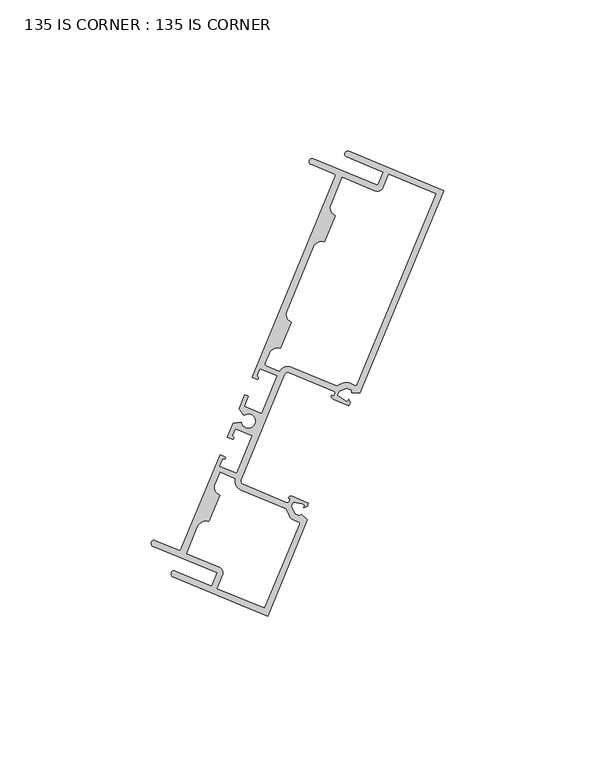
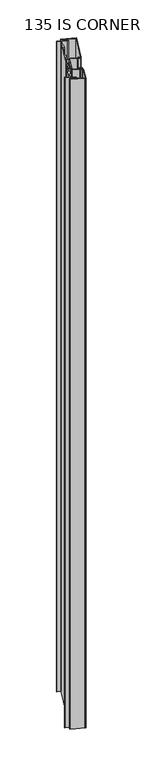
"""IFC4 building model written with IfcOpenShell, lengths in millimetres: plate geometry, 135 IS CORNER : 135 IS CORNER."""

from ifc_helpers import new_model, si_unit, frame, origin, place, context, project, spatial, polyline, circle_curve, source, transform, mapped, element, save
from ifc_brep_helpers import plane_surface, cylinder_surface, revolved_surface, extruded_surface, spline_curve, advanced_brep


def plate_135_is_corner_135_is_corner_719a3a0f(model_context):
    return source(origin(), model_context, "Body", "AdvancedBrep", [
        advanced_brep(
        [(-136.7278149, 89.2997684, 1710.2666667), (-137.504968, 87.4222549, 1710.2666667), (-125.4654123, 82.438761, 1710.2666667), (-127.291722, 78.0266041, 1710.2666667), (-148.531094, 86.818148, 1710.2666667), (-149.3082471, 84.9406344, 1710.2666667), (-141.5165658, 81.7154493, 1710.2666667), (-141.2414757, 81.0517826, 1710.2666667), (-168.7769553, 14.5291892, 1710.2666667), (-167.2397411, 13.8928952, 1710.2666667), (-166.9385943, 14.6204317, 1710.2666667), (-167.0471286, 15.3876214, 1710.2666667), (-166.2337771, 17.3525862, 1710.2666667), (-160.4838919, 14.972555, 1710.2666667), (-165.6519596, 2.4870899, 1710.2666667), (-171.4018449, 4.8671211, 1710.2666667), (-170.0321127, 8.1762387, 1710.2666667), (-171.2055586, 8.6619594, 1710.2666667), (-173.1232525, 4.0290286, 1710.2666667), (-171.5117607, 1.9299559, 1710.2666667), (-172.43463, -0.2995914, 1710.2666667), (-175.0582261, -0.6456479, 1710.2666667), (-176.97592, -5.2785788, 1710.2666667), (-175.4387058, -5.9148728, 1710.2666667), (-175.429143, -4.8623739, 1710.2666667), (-174.4327418, -2.4551818, 1710.2666667), (-168.6828565, -4.835213, 1710.2666667), (-173.8509243, -17.3206781, 1710.2666667), (-179.6008096, -14.9406469, 1710.2666667), (-178.6058882, -12.5370298, 1710.2666667), (-177.8687889, -11.7856777, 1710.2666667), (-179.4060031, -11.1493837, 1710.2666667), (-192.5724345, -42.9579875, 1710.2666667), (-200.8334942, -39.5385141, 1710.2666667), (-201.6106472, -41.4160277, 1710.2666667), (-180.3712751, -50.2075715, 1710.2666667), (-182.1975848, -54.6197284, 1710.2666667), (-194.2371405, -49.6362345, 1710.2666667), (-195.0142935, -51.513748, 1710.2666667), (-163.6832861, -64.4824895, 1710.2666667), (-150.5006362, -32.6347036, 1710.2666667), (-152.5561872, -30.793384, 1710.2666667), (-153.0771459, -31.3749545, 1710.2666667), (-154.7637979, -30.6768041, 1710.2666667), (-155.78019, -28.2218342, 1710.2666667), (-155.2164275, -26.8598478, 1710.2666667), (-152.1953325, -27.3979191, 1710.2666667), (-151.3035136, -27.7670668, 1710.2666667), (-151.6641256, -28.6382645, 1710.2666667), (-150.600727, -28.1974853, 1710.2666667), (-150.1628482, -27.1396197, 1710.2666667), (-155.5801842, -24.8972395, 1710.2666667), (-156.8413168, -25.4199796, 1710.2666667), (-156.1187307, -25.7190772, 1710.2666667), (-156.478164, -26.5874272, 1710.2666667), (-157.3077473, -26.9312899, 1710.2666667), (-171.7763362, -20.9423542, 1710.2666667), (-172.4640615, -19.2831876, 1710.2666667), (-158.1254906, 15.3571721, 1710.2666667), (-156.466324, 16.0448974, 1710.2666667), (-141.7227088, 9.942121, 1710.2666667), (-141.3788461, 9.1125377, 1710.2666667), (-141.7382794, 8.2441877, 1710.2666667), (-142.529622, 8.5717455, 1710.2666667), (-142.006882, 7.310613, 1710.2666667), (-136.7958157, 5.1536134, 1710.2666667), (-136.3579369, 6.2114789, 1710.2666667), (-136.7987161, 7.2748775, 1710.2666667), (-137.1593281, 6.4036798, 1710.2666667), (-138.0511471, 6.7728275, 1710.2666667), (-140.5687171, 8.5273577, 1710.2666667), (-140.0049546, 9.8893441, 1710.2666667), (-137.5508293, 10.9077741, 1710.2666667), (-135.8641773, 10.2096238, 1710.2666667), (-135.9066546, 9.429997, 1710.2666667), (-133.1510771, 9.2798619, 1710.2666667), (-105.3968075, 76.3310269, 1710.2666667), (-138.9349847, 80.6468638, 1710.2666667), (-128.068875, 76.1490906, 1710.2666667), (-125.4142084, 77.2494511, 1710.2666667), (-123.5878987, 81.6616079, 1710.2666667), (-108.0514741, 75.2306664, 1710.2666667), (-134.1254446, 12.2389133, 1710.2666667), (-134.7891112, 11.9638232, 1710.2666667), (-136.530505, 12.6846326, 1710.2666667), (-138.5727611, 12.6837086, 1710.2666667), (-140.8000582, 11.7594092, 1710.2666667), (-155.6891709, 17.922411, 1710.2666667), (-159.7656523, 16.5996921, 1710.2666667), (-164.1455845, 18.4126631, 1710.2666667), (-164.4206746, 19.0763298, 1710.2666667), (-163.0267292, 22.4439437, 1710.2666667), (-159.3765626, 23.9569394, 1710.2666667), (-155.7336577, 32.7577842, 1710.2666667), (-157.2466534, 36.4079507, 1710.2666667), (-148.4502523, 57.6590573, 1710.2666667), (-144.8000857, 59.172053, 1710.2666667), (-141.1571808, 67.9728977, 1710.2666667), (-142.6701765, 71.6230643, 1710.2666667), (-155.2977796, -32.6549728, 1710.2666667), (-153.5563859, -33.3757822, 1710.2666667), (-153.2812958, -34.0394489, 1710.2666667), (-164.7836466, -61.8278229, 1710.2666667), (-180.3200713, -55.3968814, 1710.2666667), (-178.4937616, -50.9847246, 1710.2666667), (-179.5941221, -48.330058, 1710.2666667), (-190.4602318, -43.8322847, 1710.2666667), (-186.7201827, -34.7967507, 1710.2666667), (-183.0700162, -33.2837551, 1710.2666667), (-179.4271112, -24.4829103, 1710.2666667), (-180.9401069, -20.8327437, 1710.2666667), (-179.3421103, -16.9721651, 1710.2666667), (-174.4964721, -18.9779043, 1710.2666667), (-172.5534892, -22.8198678, 1710.2666667), (-157.6643765, -28.9828695, 1710.2666667), (-156.7419268, -31.2109334, 1710.2666667), (-136.7278149, 89.2997684, 0.0), (-105.3968075, 76.3310269, 0.0), (-133.1510771, 9.2798619, 0.0), (-135.9066546, 9.429997, 0.0), (-135.8641773, 10.2096238, 0.0), (-137.5508293, 10.9077741, 0.0), (-140.0049546, 9.8893441, 0.0), (-140.5687171, 8.5273577, 0.0), (-138.0511471, 6.7728275, 0.0), (-137.1593281, 6.4036798, 0.0), (-136.7987161, 7.2748775, 0.0), (-136.3579369, 6.2114789, 0.0), (-136.7958157, 5.1536134, 0.0), (-142.006882, 7.310613, 0.0), (-142.529622, 8.5717455, 0.0), (-141.7382794, 8.2441877, 0.0), (-141.3788461, 9.1125377, 0.0), (-141.7227088, 9.942121, 0.0), (-156.466324, 16.0448974, 0.0), (-158.1254906, 15.3571721, 0.0), (-172.4640615, -19.2831876, 0.0), (-171.7763362, -20.9423542, 0.0), (-157.3077473, -26.9312899, 0.0), (-156.478164, -26.5874272, 0.0), (-156.1187307, -25.7190772, 0.0), (-156.8413168, -25.4199796, 0.0), (-155.5801842, -24.8972395, 0.0), (-150.1628482, -27.1396197, 0.0), (-150.600727, -28.1974853, 0.0), (-151.6641256, -28.6382645, 0.0), (-151.3035136, -27.7670668, 0.0), (-152.1953325, -27.3979191, 0.0), (-155.2164275, -26.8598478, 0.0), (-155.78019, -28.2218342, 0.0), (-154.7637979, -30.6768041, 0.0), (-153.0771459, -31.3749545, 0.0), (-152.5561872, -30.793384, 0.0), (-150.5006362, -32.6347036, 0.0), (-163.6832861, -64.4824895, 0.0), (-195.0142935, -51.513748, 0.0), (-194.2371405, -49.6362345, 0.0), (-182.1975848, -54.6197284, 0.0), (-180.3712751, -50.2075715, 0.0), (-201.6106472, -41.4160277, 0.0), (-200.8334942, -39.5385141, 0.0), (-192.5724345, -42.9579875, 0.0), (-179.4060031, -11.1493837, 0.0), (-177.8687889, -11.7856777, 0.0), (-178.6058882, -12.5370298, 0.0), (-179.6008096, -14.9406469, 0.0), (-173.8509243, -17.3206781, 0.0), (-168.6828565, -4.835213, 0.0), (-174.4327418, -2.4551818, 0.0), (-175.429143, -4.8623739, 0.0), (-175.4387058, -5.9148728, 0.0), (-176.97592, -5.2785788, 0.0), (-175.0582261, -0.6456479, 0.0), (-172.43463, -0.2995914, 0.0), (-171.5117607, 1.9299559, 0.0), (-173.1232525, 4.0290286, 0.0), (-171.2055586, 8.6619594, 0.0), (-170.0321127, 8.1762387, 0.0), (-171.4018449, 4.8671211, 0.0), (-165.6519596, 2.4870899, 0.0), (-160.4838919, 14.972555, 0.0), (-166.2337771, 17.3525862, 0.0), (-167.0471286, 15.3876214, 0.0), (-166.9385943, 14.6204317, 0.0), (-167.2397411, 13.8928952, 0.0), (-168.7769553, 14.5291892, 0.0), (-141.2414757, 81.0517826, 0.0), (-141.5165658, 81.7154493, 0.0), (-149.3082471, 84.9406344, 0.0), (-148.531094, 86.818148, 0.0), (-127.291722, 78.0266041, 0.0), (-125.4654123, 82.438761, 0.0), (-137.504968, 87.4222549, 0.0), (-138.9349847, 80.6468638, 0.0), (-142.6701765, 71.6230643, 0.0), (-141.1571808, 67.9728977, 0.0), (-144.8000857, 59.172053, 0.0), (-148.4502523, 57.6590573, 0.0), (-157.2466534, 36.4079507, 0.0), (-155.7336577, 32.7577842, 0.0), (-159.3765626, 23.9569394, 0.0), (-163.0267292, 22.4439437, 0.0), (-164.4206746, 19.0763298, 0.0), (-164.1455845, 18.4126631, 0.0), (-159.7656523, 16.5996921, 0.0), (-155.6891709, 17.922411, 0.0), (-140.8000582, 11.7594092, 0.0), (-138.5727611, 12.6837086, 0.0), (-136.530505, 12.6846326, 0.0), (-134.7891112, 11.9638232, 0.0), (-134.1254446, 12.2389133, 0.0), (-108.0514741, 75.2306664, 0.0), (-123.5878987, 81.6616079, 0.0), (-125.4142084, 77.2494511, 0.0), (-128.068875, 76.1490906, 0.0), (-155.2977796, -32.6549728, 0.0), (-156.7419268, -31.2109334, 0.0), (-157.6643765, -28.9828695, 0.0), (-172.5534892, -22.8198678, 0.0), (-174.4964721, -18.9779043, 0.0), (-179.3421103, -16.9721651, 0.0), (-180.9401069, -20.8327437, 0.0), (-179.4271112, -24.4829103, 0.0), (-183.0700162, -33.2837551, 0.0), (-186.7201827, -34.7967507, 0.0), (-190.4602318, -43.8322847, 0.0), (-179.5941221, -48.330058, 0.0), (-178.4937616, -50.9847246, 0.0), (-180.3200713, -55.3968814, 0.0), (-164.7836466, -61.8278229, 0.0), (-153.2812958, -34.0394489, 0.0), (-153.5563859, -33.3757822, 0.0)],
        [
            (0, 1, circle_curve(frame((-137.1163914, 88.3610116, 1710.2666667), z_axis=(0.0, 0.0, 1.0), x_axis=(0.0, 1.0, 0.0)), 1.016)),
            (1, 2),
            (2, 3),
            (3, 4),
            (4, 5, circle_curve(frame((-148.9196705, 85.8793912, 1710.2666667), z_axis=(0.0, 0.0, 1.0), x_axis=(0.0, 1.0, 0.0)), 1.016)),
            (5, 6),
            (6, 7, circle_curve(frame((-141.7108541, 81.2460709, 1710.2666667), z_axis=(0.0, 0.0, -1.0), x_axis=(0.0, 1.0, 0.0)), 0.508)),
            (7, 8),
            (8, 9),
            (9, 10, circle_curve(frame((-167.0891677, 14.2566634, 1710.2666667), z_axis=(0.0, 0.0, 1.0), x_axis=(0.0, 1.0, 0.0)), 0.3937)),
            (10, 11, circle_curve(frame((-166.3426373, 15.0960137, 1710.2666667), z_axis=(0.0, 0.0, -1.0), x_axis=(0.0, 1.0, 0.0)), 0.7624585)),
            (11, 12),
            (12, 13),
            (13, 14),
            (14, 15),
            (15, 16),
            (16, 17),
            (17, 18),
            (18, 19),
            (19, 20, circle_curve(frame((-170.0423507, 0.015954, 1710.2666667), z_axis=(0.0, 0.0, -1.0), x_axis=(0.0, 1.0, 0.0)), 2.413)),
            (20, 21),
            (21, 22),
            (22, 23),
            (23, 24, spline_curve(3, [(-175.4387058, -5.9148728, 1710.2666667), (-175.200981847, -5.967513867, 1710.2666667), (-175.15118132, -5.954822519, 1710.2666667), (-175.059396441, -5.911154668, 1710.2666667), (-175.035761325, -5.87403484, 1710.2666667), (-174.95031619, -5.708114553, 1710.2666667), (-174.876037367, -5.545310699, 1710.2666667), (-174.991847447, -5.26607834, 1710.2666667), (-175.236317651, -5.164885589, 1710.2666667), (-175.429143, -4.8623739, 1710.2666667)], [4, 2, 2, 2, 4], [0.0, 0.0005581775979920252, 0.0014141886036385456, 0.002659292844354508, 0.004147214338502557])),
            (24, 25),
            (25, 26),
            (26, 27),
            (27, 28),
            (28, 29),
            (29, 30, spline_curve(3, [(-178.6058882, -12.5370298, 1710.2666667), (-178.255670044, -12.459298334, 1710.2666667), (-178.011199904, -12.56049113, 1710.2666667), (-177.731919339, -12.444797351, 1710.2666667), (-177.669404687, -12.277123916, 1710.2666667), (-177.612587209, -12.099353877, 1710.2666667), (-177.603073196, -12.056388945, 1710.2666667), (-177.637143972, -11.960626074, 1710.2666667), (-177.663405761, -11.916450503, 1710.2666667), (-177.8687889, -11.7856777, 1710.2666667)], [4, 2, 2, 2, 4], [0.0, 0.0014879214941480494, 0.0027330257348640117, 0.003589036740510532, 0.004147214338502557])),
            (30, 31),
            (31, 32),
            (32, 33),
            (33, 34, circle_curve(frame((-201.2220707, -40.4772709, 1710.2666667), z_axis=(0.0, 0.0, 1.0), x_axis=(0.0, 1.0, 0.0)), 1.016)),
            (34, 35),
            (35, 36),
            (36, 37),
            (37, 38, circle_curve(frame((-194.625717, -50.5749912, 1710.2666667), z_axis=(0.0, 0.0, 1.0), x_axis=(0.0, 1.0, 0.0)), 1.016)),
            (38, 39),
            (39, 40),
            (40, 41),
            (41, 42),
            (42, 43),
            (43, 44),
            (44, 45),
            (45, 46),
            (46, 47),
            (47, 48),
            (48, 49),
            (49, 50),
            (50, 51),
            (51, 52, circle_curve(frame((-155.9493805, -25.7891758, 1710.2666667), z_axis=(0.0, 0.0, 1.0), x_axis=(0.0, 1.0, 0.0)), 0.965327)),
            (52, 53),
            (53, 54),
            (54, 55, circle_curve(frame((-157.064887, -26.3445669, 1710.2666667), z_axis=(0.0, 0.0, -1.0), x_axis=(0.0, 1.0, 0.0)), 0.635)),
            (55, 56),
            (56, 57, circle_curve(frame((-171.2906155, -19.7689083, 1710.2666667), z_axis=(0.0, 0.0, -1.0), x_axis=(0.0, 1.0, 0.0)), 1.27)),
            (57, 58),
            (58, 59, circle_curve(frame((-156.9520446, 14.8714515, 1710.2666667), z_axis=(0.0, 0.0, -1.0), x_axis=(0.0, 1.0, 0.0)), 1.27)),
            (59, 60),
            (60, 61, circle_curve(frame((-141.9655691, 9.355398, 1710.2666667), z_axis=(0.0, 0.0, -1.0), x_axis=(0.0, 1.0, 0.0)), 0.635)),
            (61, 62),
            (62, 63),
            (63, 64, circle_curve(frame((-141.6376857, 8.2025493, 1710.2666667), z_axis=(0.0, 0.0, 1.0), x_axis=(0.0, 1.0, 0.0)), 0.965327)),
            (64, 65),
            (65, 66),
            (66, 67),
            (67, 68),
            (68, 69),
            (69, 70),
            (70, 71),
            (71, 72),
            (72, 73),
            (73, 74),
            (74, 75),
            (75, 76),
            (76, 0),
            (77, 78),
            (78, 79, circle_curve(frame((-127.291722, 78.0266041, 1710.2666667), z_axis=(0.0, 0.0, 1.0), x_axis=(0.0, 1.0, 0.0)), 2.032)),
            (79, 80),
            (80, 81),
            (81, 82),
            (82, 83, circle_curve(frame((-134.594823, 12.4332016, 1710.2666667), z_axis=(0.0, 0.0, -1.0), x_axis=(0.0, 1.0, 0.0)), 0.508)),
            (83, 84),
            (84, 85, circle_curve(frame((-137.5505184, 10.2203961, 1710.2666667), z_axis=(0.0, 0.0, 1.0), x_axis=(0.0, 1.0, 0.0)), 2.667)),
            (85, 86),
            (86, 87),
            (87, 88, circle_curve(frame((-156.9520446, 14.8714515, 1710.2666667), z_axis=(0.0, 0.0, 1.0), x_axis=(0.0, 1.0, 0.0)), 3.302)),
            (88, 89),
            (89, 90, circle_curve(frame((-163.9512962, 18.8820415, 1710.2666667), z_axis=(0.0, 0.0, -1.0), x_axis=(0.0, 1.0, 0.0)), 0.508)),
            (90, 91),
            (91, 92, circle_curve(frame((-160.445148, 21.3753582, 1710.2666667), z_axis=(0.0, 0.0, -1.0), x_axis=(0.0, 1.0, 0.0)), 2.794)),
            (92, 93),
            (93, 94, circle_curve(frame((-154.6650723, 35.3393653, 1710.2666667), z_axis=(0.0, 0.0, -1.0), x_axis=(0.0, 1.0, 0.0)), 2.794)),
            (94, 95),
            (95, 96, circle_curve(frame((-145.8686712, 56.5904718, 1710.2666667), z_axis=(0.0, 0.0, -1.0), x_axis=(0.0, 1.0, 0.0)), 2.794)),
            (96, 97),
            (97, 98, circle_curve(frame((-140.0885954, 70.5544789, 1710.2666667), z_axis=(0.0, 0.0, -1.0), x_axis=(0.0, 1.0, 0.0)), 2.794)),
            (98, 77),
            (99, 100),
            (100, 101, circle_curve(frame((-153.7506742, -33.8451606, 1710.2666667), z_axis=(0.0, 0.0, -1.0), x_axis=(0.0, 1.0, 0.0)), 0.508)),
            (101, 102),
            (102, 103),
            (103, 104),
            (104, 105, circle_curve(frame((-180.3712751, -50.2075715, 1710.2666667), z_axis=(0.0, 0.0, 1.0), x_axis=(0.0, 1.0, 0.0)), 2.032)),
            (105, 106),
            (106, 107),
            (107, 108, circle_curve(frame((-184.1386016, -35.8653362, 1710.2666667), z_axis=(0.0, 0.0, -1.0), x_axis=(0.0, 1.0, 0.0)), 2.794)),
            (108, 109),
            (109, 110, circle_curve(frame((-178.3585258, -21.9013291, 1710.2666667), z_axis=(0.0, 0.0, -1.0), x_axis=(0.0, 1.0, 0.0)), 2.794)),
            (110, 111),
            (111, 112),
            (112, 113, circle_curve(frame((-171.2906155, -19.7689083, 1710.2666667), z_axis=(0.0, 0.0, 1.0), x_axis=(0.0, 1.0, 0.0)), 3.302)),
            (113, 114),
            (114, 115),
            (115, 99, circle_curve(frame((-154.2777663, -30.1907363, 1710.2666667), z_axis=(0.0, 0.0, 1.0), x_axis=(0.0, 1.0, 0.0)), 2.667)),
            (116, 117),
            (117, 118),
            (118, 119),
            (119, 120),
            (120, 121),
            (121, 122),
            (122, 123),
            (123, 124),
            (124, 125),
            (125, 126),
            (126, 127),
            (127, 128),
            (128, 129),
            (129, 130, circle_curve(frame((-141.6376857, 8.2025493, 0.0), z_axis=(0.0, 0.0, -1.0), x_axis=(0.0, 1.0, 0.0)), 0.965327)),
            (130, 131),
            (131, 132),
            (132, 133, circle_curve(frame((-141.9655691, 9.355398, 0.0), z_axis=(0.0, 0.0, 1.0), x_axis=(0.0, 1.0, 0.0)), 0.635)),
            (133, 134),
            (134, 135, circle_curve(frame((-156.9520446, 14.8714515, 0.0), z_axis=(0.0, 0.0, 1.0), x_axis=(0.0, 1.0, 0.0)), 1.27)),
            (135, 136),
            (136, 137, circle_curve(frame((-171.2906155, -19.7689083, 0.0), z_axis=(0.0, 0.0, 1.0), x_axis=(0.0, 1.0, 0.0)), 1.27)),
            (137, 138),
            (138, 139, circle_curve(frame((-157.064887, -26.3445669, 0.0), z_axis=(0.0, 0.0, 1.0), x_axis=(0.0, 1.0, 0.0)), 0.635)),
            (139, 140),
            (140, 141),
            (141, 142, circle_curve(frame((-155.9493805, -25.7891758, 0.0), z_axis=(0.0, 0.0, -1.0), x_axis=(0.0, 1.0, 0.0)), 0.965327)),
            (142, 143),
            (143, 144),
            (144, 145),
            (145, 146),
            (146, 147),
            (147, 148),
            (148, 149),
            (149, 150),
            (150, 151),
            (151, 152),
            (152, 153),
            (153, 154),
            (154, 155),
            (155, 156, circle_curve(frame((-194.625717, -50.5749912, 0.0), z_axis=(0.0, 0.0, -1.0), x_axis=(0.0, 1.0, 0.0)), 1.016)),
            (156, 157),
            (157, 158),
            (158, 159),
            (159, 160, circle_curve(frame((-201.2220707, -40.4772709, 0.0), z_axis=(0.0, 0.0, -1.0), x_axis=(0.0, 1.0, 0.0)), 1.016)),
            (160, 161),
            (161, 162),
            (162, 163),
            (163, 164, spline_curve(3, [(-177.8687889, -11.7856777, 0.0), (-177.663405761, -11.916450503, 0.0), (-177.637143972, -11.960626074, 0.0), (-177.603073196, -12.056388945, 0.0), (-177.612587209, -12.099353877, 0.0), (-177.669404687, -12.277123916, 0.0), (-177.731919339, -12.444797351, 0.0), (-178.011199904, -12.56049113, 0.0), (-178.255670044, -12.459298334, 0.0), (-178.6058882, -12.5370298, 0.0)], [4, 2, 2, 2, 4], [0.0, 0.0005581775979920252, 0.0014141886036385456, 0.002659292844354508, 0.004147214338502557])),
            (164, 165),
            (165, 166),
            (166, 167),
            (167, 168),
            (168, 169),
            (169, 170, spline_curve(3, [(-175.429143, -4.8623739, 0.0), (-175.236317651, -5.164885589, 0.0), (-174.991847447, -5.26607834, 0.0), (-174.876037367, -5.545310699, 0.0), (-174.95031619, -5.708114553, 0.0), (-175.035761325, -5.87403484, 0.0), (-175.059396441, -5.911154668, 0.0), (-175.15118132, -5.954822519, 0.0), (-175.200981847, -5.967513867, 0.0), (-175.4387058, -5.9148728, 0.0)], [4, 2, 2, 2, 4], [0.0, 0.0014879214941480494, 0.0027330257348640117, 0.003589036740510532, 0.004147214338502557])),
            (170, 171),
            (171, 172),
            (172, 173),
            (173, 174, circle_curve(frame((-170.0423507, 0.015954, 0.0), z_axis=(0.0, 0.0, 1.0), x_axis=(0.0, 1.0, 0.0)), 2.413)),
            (174, 175),
            (175, 176),
            (176, 177),
            (177, 178),
            (178, 179),
            (179, 180),
            (180, 181),
            (181, 182),
            (182, 183, circle_curve(frame((-166.3426373, 15.0960137, 0.0), z_axis=(0.0, 0.0, 1.0), x_axis=(0.0, 1.0, 0.0)), 0.7624585)),
            (183, 184, circle_curve(frame((-167.0891677, 14.2566634, 0.0), z_axis=(0.0, 0.0, -1.0), x_axis=(0.0, 1.0, 0.0)), 0.3937)),
            (184, 185),
            (185, 186),
            (186, 187, circle_curve(frame((-141.7108541, 81.2460709, 0.0), z_axis=(0.0, 0.0, 1.0), x_axis=(0.0, 1.0, 0.0)), 0.508)),
            (187, 188),
            (188, 189, circle_curve(frame((-148.9196705, 85.8793912, 0.0), z_axis=(0.0, 0.0, -1.0), x_axis=(0.0, 1.0, 0.0)), 1.016)),
            (189, 190),
            (190, 191),
            (191, 192),
            (192, 116, circle_curve(frame((-137.1163914, 88.3610116, 0.0), z_axis=(0.0, 0.0, -1.0), x_axis=(0.0, 1.0, 0.0)), 1.016)),
            (193, 194),
            (194, 195, circle_curve(frame((-140.0885954, 70.5544789, 0.0), z_axis=(0.0, 0.0, 1.0), x_axis=(0.0, 1.0, 0.0)), 2.794)),
            (195, 196),
            (196, 197, circle_curve(frame((-145.8686712, 56.5904718, 0.0), z_axis=(0.0, 0.0, 1.0), x_axis=(0.0, 1.0, 0.0)), 2.794)),
            (197, 198),
            (198, 199, circle_curve(frame((-154.6650723, 35.3393653, 0.0), z_axis=(0.0, 0.0, 1.0), x_axis=(0.0, 1.0, 0.0)), 2.794)),
            (199, 200),
            (200, 201, circle_curve(frame((-160.445148, 21.3753582, 0.0), z_axis=(0.0, 0.0, 1.0), x_axis=(0.0, 1.0, 0.0)), 2.794)),
            (201, 202),
            (202, 203, circle_curve(frame((-163.9512962, 18.8820415, 0.0), z_axis=(0.0, 0.0, 1.0), x_axis=(0.0, 1.0, 0.0)), 0.508)),
            (203, 204),
            (204, 205, circle_curve(frame((-156.9520446, 14.8714515, 0.0), z_axis=(0.0, 0.0, -1.0), x_axis=(0.0, 1.0, 0.0)), 3.302)),
            (205, 206),
            (206, 207),
            (207, 208, circle_curve(frame((-137.5505184, 10.2203961, 0.0), z_axis=(0.0, 0.0, -1.0), x_axis=(0.0, 1.0, 0.0)), 2.667)),
            (208, 209),
            (209, 210, circle_curve(frame((-134.594823, 12.4332016, 0.0), z_axis=(0.0, 0.0, 1.0), x_axis=(0.0, 1.0, 0.0)), 0.508)),
            (210, 211),
            (211, 212),
            (212, 213),
            (213, 214, circle_curve(frame((-127.291722, 78.0266041, 0.0), z_axis=(0.0, 0.0, -1.0), x_axis=(0.0, 1.0, 0.0)), 2.032)),
            (214, 193),
            (215, 216, circle_curve(frame((-154.2777663, -30.1907363, 0.0), z_axis=(0.0, 0.0, -1.0), x_axis=(0.0, 1.0, 0.0)), 2.667)),
            (216, 217),
            (217, 218),
            (218, 219, circle_curve(frame((-171.2906155, -19.7689083, 0.0), z_axis=(0.0, 0.0, -1.0), x_axis=(0.0, 1.0, 0.0)), 3.302)),
            (219, 220),
            (220, 221),
            (221, 222, circle_curve(frame((-178.3585258, -21.9013291, 0.0), z_axis=(0.0, 0.0, 1.0), x_axis=(0.0, 1.0, 0.0)), 2.794)),
            (222, 223),
            (223, 224, circle_curve(frame((-184.1386016, -35.8653362, 0.0), z_axis=(0.0, 0.0, 1.0), x_axis=(0.0, 1.0, 0.0)), 2.794)),
            (224, 225),
            (225, 226),
            (226, 227, circle_curve(frame((-180.3712751, -50.2075715, 0.0), z_axis=(0.0, 0.0, -1.0), x_axis=(0.0, 1.0, 0.0)), 2.032)),
            (227, 228),
            (228, 229),
            (229, 230),
            (230, 231, circle_curve(frame((-153.7506742, -33.8451606, 0.0), z_axis=(0.0, 0.0, 1.0), x_axis=(0.0, 1.0, 0.0)), 0.508)),
            (231, 215),
            (76, 117),
            (116, 0),
            (75, 118),
            (74, 119),
            (73, 120),
            (72, 121),
            (71, 122),
            (70, 123),
            (69, 124),
            (68, 125),
            (67, 126),
            (66, 127),
            (65, 128),
            (64, 129),
            (63, 130),
            (62, 131),
            (61, 132),
            (60, 133),
            (59, 134),
            (58, 135),
            (57, 136),
            (56, 137),
            (55, 138),
            (54, 139),
            (53, 140),
            (52, 141),
            (51, 142),
            (50, 143),
            (49, 144),
            (48, 145),
            (47, 146),
            (46, 147),
            (45, 148),
            (44, 149),
            (43, 150),
            (42, 151),
            (41, 152),
            (40, 153),
            (39, 154),
            (38, 155),
            (37, 156),
            (36, 157),
            (35, 158),
            (34, 159),
            (33, 160),
            (32, 161),
            (31, 162),
            (30, 163),
            (29, 164),
            (28, 165),
            (27, 166),
            (26, 167),
            (25, 168),
            (24, 169),
            (23, 170),
            (22, 171),
            (21, 172),
            (20, 173),
            (19, 174),
            (18, 175),
            (17, 176),
            (16, 177),
            (15, 178),
            (14, 179),
            (13, 180),
            (12, 181),
            (11, 182),
            (10, 183),
            (9, 184),
            (8, 185),
            (7, 186),
            (6, 187),
            (5, 188),
            (4, 189),
            (3, 190),
            (2, 191),
            (1, 192),
            (98, 194),
            (193, 77),
            (97, 195),
            (96, 196),
            (95, 197),
            (94, 198),
            (93, 199),
            (92, 200),
            (91, 201),
            (90, 202),
            (89, 203),
            (88, 204),
            (87, 205),
            (86, 206),
            (85, 207),
            (84, 208),
            (83, 209),
            (82, 210),
            (81, 211),
            (80, 212),
            (79, 213),
            (78, 214),
            (115, 216),
            (215, 99),
            (114, 217),
            (113, 218),
            (112, 219),
            (111, 220),
            (110, 221),
            (109, 222),
            (108, 223),
            (107, 224),
            (106, 225),
            (105, 226),
            (104, 227),
            (103, 228),
            (102, 229),
            (101, 230),
            (100, 231),
        ],
        [
            plane_surface(frame((-203.2, 0.0, 1710.2666667), z_axis=(0.0, 0.0, 1.0), x_axis=(0.0, 1.0, 0.0))),
            plane_surface(frame((-203.2, 0.0, 0.0), z_axis=(0.0, 0.0, -1.0), x_axis=(0.0, 1.0, 0.0))),
            plane_surface(frame((-136.7278149, 89.2997684, 1710.2666667), z_axis=(0.3824572086876439, 0.9239732049809973, 0.0), x_axis=(0.0, 0.0, -1.0))),
            plane_surface(frame((-105.3968075, 76.3310269, 1710.2666667), z_axis=(0.9239732049809974, -0.3824572086876436, 0.0), x_axis=(0.0, 0.0, -1.0))),
            plane_surface(frame((-133.1510771, 9.2798619, 1710.2666667), z_axis=(-0.054403376948134394, -0.998519039666565, 0.0), x_axis=(0.0, 0.0, -1.0))),
            plane_surface(frame((-135.9066546, 9.429997, 1710.2666667), z_axis=(-0.9985190396665645, 0.05440337694814271, 0.0), x_axis=(0.0, 0.0, -1.0))),
            plane_surface(frame((-135.8641773, 10.2096238, 1710.2666667), z_axis=(-0.3824572086876704, -0.9239732049809863, 0.0), x_axis=(0.0, 0.0, -1.0))),
            plane_surface(frame((-137.5508293, 10.9077741, 1710.2666667), z_axis=(0.3832931067279763, -0.9236267613786515, 0.0), x_axis=(0.0, 0.0, -1.0))),
            plane_surface(frame((-140.0049546, 9.8893441, 1710.2666667), z_axis=(0.9239732049809949, -0.38245720868764965, 0.0), x_axis=(0.0, 0.0, -1.0))),
            plane_surface(frame((-140.5687171, 8.5273577, 1710.2666667), z_axis=(0.5717619870903833, 0.8204195451831071, 0.0), x_axis=(0.0, 0.0, -1.0))),
            plane_surface(frame((-138.0511471, 6.7728275, 1710.2666667), z_axis=(0.3824572086876302, 0.9239732049810029, 0.0), x_axis=(0.0, 0.0, -1.0))),
            plane_surface(frame((-137.1593281, 6.4036798, 1710.2666667), z_axis=(-0.9239732049809855, 0.38245720868767236, 0.0), x_axis=(0.0, 0.0, -1.0))),
            plane_surface(frame((-136.7987161, 7.2748775, 1710.2666667), z_axis=(0.9237858046534559, 0.38290963309998743, 0.0), x_axis=(0.0, 0.0, -1.0))),
            plane_surface(frame((-136.3579369, 6.2114789, 1710.2666667), z_axis=(0.9239732049809827, -0.38245720868767924, 0.0), x_axis=(0.0, 0.0, -1.0))),
            plane_surface(frame((-136.7958157, 5.1536134, 1710.2666667), z_axis=(-0.382457208687645, -0.9239732049809969, 0.0), x_axis=(0.0, 0.0, -1.0))),
            cylinder_surface(frame((-141.6376857, 8.2025493, 1710.2666667), z_axis=(0.0, 0.0, 1.0), x_axis=(0.0, 1.0, 0.0)), 0.965327),
            plane_surface(frame((-142.529622, 8.5717455, 1710.2666667), z_axis=(0.38245720868765026, 0.9239732049809948, 0.0), x_axis=(0.0, 0.0, -1.0))),
            plane_surface(frame((-141.7382794, 8.2441877, 1710.2666667), z_axis=(-0.9239732049810025, 0.3824572086876315, 0.0), x_axis=(0.0, 0.0, -1.0))),
            revolved_surface(polyline([(-141.9655691, 9.990397999999999, 0.0), (-141.9655691, 9.990397999999999, 1710.2666667)]), (-141.9655691, 9.355398, 1710.2666667), (0.0, 0.0, -1.0)),
            plane_surface(frame((-141.7227088, 9.942121, 1710.2666667), z_axis=(-0.3824572086876417, -0.9239732049809982, 0.0), x_axis=(0.0, 0.0, -1.0))),
            revolved_surface(polyline([(-156.9520446, 16.1414515, 0.0), (-156.9520446, 16.1414515, 1710.2666667)]), (-156.9520446, 14.8714515, 1710.2666667), (0.0, 0.0, -1.0)),
            plane_surface(frame((-158.1254906, 15.3571721, 1710.2666667), z_axis=(0.923973204980997, -0.38245720868764477, 0.0), x_axis=(0.0, 0.0, -1.0))),
            revolved_surface(polyline([(-171.2906155, -18.4989083, 0.0), (-171.2906155, -18.4989083, 1710.2666667)]), (-171.2906155, -19.7689083, 1710.2666667), (0.0, 0.0, -1.0)),
            plane_surface(frame((-171.7763362, -20.9423542, 1710.2666667), z_axis=(0.38245720868764765, 0.9239732049809958, 0.0), x_axis=(0.0, 0.0, -1.0))),
            revolved_surface(polyline([(-157.064887, -25.7095669, 0.0), (-157.064887, -25.7095669, 1710.2666667)]), (-157.064887, -26.3445669, 1710.2666667), (0.0, 0.0, -1.0)),
            plane_surface(frame((-156.478164, -26.5874272, 1710.2666667), z_axis=(-0.9239732049810087, 0.3824572086876167, 0.0), x_axis=(0.0, 0.0, -1.0))),
            plane_surface(frame((-156.1187307, -25.7190772, 1710.2666667), z_axis=(-0.38245720868764566, -0.9239732049809966, 0.0), x_axis=(0.0, 0.0, -1.0))),
            cylinder_surface(frame((-155.9493805, -25.7891758, 1710.2666667), z_axis=(0.0, 0.0, 1.0), x_axis=(0.0, 1.0, 0.0)), 0.965327),
            plane_surface(frame((-155.5801842, -24.8972395, 1710.2666667), z_axis=(0.3824572086876424, 0.9239732049809979, 0.0), x_axis=(0.0, 0.0, -1.0))),
            plane_surface(frame((-150.1628482, -27.1396197, 1710.2666667), z_axis=(0.9239732049809944, -0.3824572086876508, 0.0), x_axis=(0.0, 0.0, -1.0))),
            plane_surface(frame((-150.600727, -28.1974853, 1710.2666667), z_axis=(0.38290963309999265, -0.9237858046534538, 0.0), x_axis=(0.0, 0.0, -1.0))),
            plane_surface(frame((-151.6641256, -28.6382645, 1710.2666667), z_axis=(-0.9239732049809495, 0.3824572086877596, 0.0), x_axis=(0.0, 0.0, -1.0))),
            plane_surface(frame((-151.3035136, -27.7670668, 1710.2666667), z_axis=(-0.38245720868761535, -0.9239732049810091, 0.0), x_axis=(0.0, 0.0, -1.0))),
            plane_surface(frame((-152.1953325, -27.3979191, 1710.2666667), z_axis=(-0.17534535284308103, -0.9845069868905632, 0.0), x_axis=(0.0, 0.0, -1.0))),
            plane_surface(frame((-155.2164275, -26.8598478, 1710.2666667), z_axis=(0.9239732049810112, -0.38245720868761035, 0.0), x_axis=(0.0, 0.0, -1.0))),
            plane_surface(frame((-155.78019, -28.2218342, 1710.2666667), z_axis=(0.9239446887167215, 0.38252609347881167, 0.0), x_axis=(0.0, 0.0, -1.0))),
            plane_surface(frame((-154.7637979, -30.6768041, 1710.2666667), z_axis=(0.38245720868762045, 0.923973204981007, 0.0), x_axis=(0.0, 0.0, -1.0))),
            plane_surface(frame((-153.0771459, -31.3749545, 1710.2666667), z_axis=(-0.7448554111183057, 0.667225911163363, 0.0), x_axis=(0.0, 0.0, -1.0))),
            plane_surface(frame((-152.5561872, -30.793384, 1710.2666667), z_axis=(0.6672259111633648, 0.744855411118304, 0.0), x_axis=(0.0, 0.0, -1.0))),
            plane_surface(frame((-150.5006362, -32.6347036, 1710.2666667), z_axis=(0.9239732049809963, -0.3824572086876463, 0.0), x_axis=(0.0, 0.0, -1.0))),
            plane_surface(frame((-163.6832861, -64.4824895, 1710.2666667), z_axis=(-0.3824572086876438, -0.9239732049809973, 0.0), x_axis=(0.0, 0.0, -1.0))),
            cylinder_surface(frame((-194.625717, -50.5749912, 1710.2666667), z_axis=(0.0, 0.0, 1.0), x_axis=(0.0, 1.0, 0.0)), 1.016),
            plane_surface(frame((-194.2371405, -49.6362345, 1710.2666667), z_axis=(0.3824572086876488, 0.9239732049809953, 0.0), x_axis=(0.0, 0.0, -1.0))),
            plane_surface(frame((-182.1975848, -54.6197284, 1710.2666667), z_axis=(-0.9239732049809984, 0.38245720868764116, 0.0), x_axis=(0.0, 0.0, -1.0))),
            plane_surface(frame((-180.3712751, -50.2075715, 1710.2666667), z_axis=(-0.38245720868764777, -0.9239732049809957, 0.0), x_axis=(0.0, 0.0, -1.0))),
            cylinder_surface(frame((-201.2220707, -40.4772709, 1710.2666667), z_axis=(0.0, 0.0, 1.0), x_axis=(0.0, 1.0, 0.0)), 1.016),
            plane_surface(frame((-200.8334942, -39.5385141, 1710.2666667), z_axis=(0.38245720868764976, 0.9239732049809949, 0.0), x_axis=(0.0, 0.0, -1.0))),
            plane_surface(frame((-192.5724345, -42.9579875, 1710.2666667), z_axis=(-0.9239732049809968, 0.3824572086876451, 0.0), x_axis=(0.0, 0.0, -1.0))),
            plane_surface(frame((-179.4060031, -11.1493837, 1710.2666667), z_axis=(0.38245720868766697, 0.9239732049809877, 0.0), x_axis=(0.0, 0.0, -1.0))),
            extruded_surface(spline_curve(3, [(-177.8687889, -11.7856777, 1710.2666667), (-177.663405761, -11.916450503, 1710.2666667), (-177.637143972, -11.960626074, 1710.2666667), (-177.603073196, -12.056388945, 1710.2666667), (-177.612587209, -12.099353877, 1710.2666667), (-177.669404687, -12.277123916, 1710.2666667), (-177.731919339, -12.444797351, 1710.2666667), (-178.011199904, -12.56049113, 1710.2666667), (-178.255670044, -12.459298334, 1710.2666667), (-178.6058882, -12.5370298, 1710.2666667)], [4, 2, 2, 2, 4], [0.0, 0.0005581775979920252, 0.0014141886036385456, 0.002659292844354508, 0.004147214338502557]), (0.0, 0.0, -1710.2666667), 1710.2666667),
            plane_surface(frame((-178.6058882, -12.5370298, 1710.2666667), z_axis=(0.9239732049809977, -0.38245720868764294, 0.0), x_axis=(0.0, 0.0, -1.0))),
            plane_surface(frame((-179.6008096, -14.9406469, 1710.2666667), z_axis=(0.38245720868764427, 0.9239732049809972, 0.0), x_axis=(0.0, 0.0, -1.0))),
            plane_surface(frame((-173.8509243, -17.3206781, 1710.2666667), z_axis=(-0.9239732049809969, 0.3824572086876449, 0.0), x_axis=(0.0, 0.0, -1.0))),
            plane_surface(frame((-168.6828565, -4.835213, 1710.2666667), z_axis=(-0.38245720868764266, -0.9239732049809978, 0.0), x_axis=(0.0, 0.0, -1.0))),
            plane_surface(frame((-174.4327418, -2.4551818, 1710.2666667), z_axis=(0.9239732049810028, -0.3824572086876306, 0.0), x_axis=(0.0, 0.0, -1.0))),
            extruded_surface(spline_curve(3, [(-175.429143, -4.8623739, 1710.2666667), (-175.236317651, -5.164885589, 1710.2666667), (-174.991847447, -5.26607834, 1710.2666667), (-174.876037367, -5.545310699, 1710.2666667), (-174.95031619, -5.708114553, 1710.2666667), (-175.035761325, -5.87403484, 1710.2666667), (-175.059396441, -5.911154668, 1710.2666667), (-175.15118132, -5.954822519, 1710.2666667), (-175.200981847, -5.967513867, 1710.2666667), (-175.4387058, -5.9148728, 1710.2666667)], [4, 2, 2, 2, 4], [0.0, 0.0014879214941480494, 0.0027330257348640117, 0.003589036740510532, 0.004147214338502557]), (0.0, 0.0, -1710.2666667), 1710.2666667),
            plane_surface(frame((-175.4387058, -5.9148728, 1710.2666667), z_axis=(-0.38245720868766864, -0.9239732049809871, 0.0), x_axis=(0.0, 0.0, -1.0))),
            plane_surface(frame((-176.97592, -5.2785788, 1710.2666667), z_axis=(-0.9239732049810014, 0.382457208687634, 0.0), x_axis=(0.0, 0.0, -1.0))),
            plane_surface(frame((-175.0582261, -0.6456479, 1710.2666667), z_axis=(-0.13076894390641777, 0.9914128722735046, 0.0), x_axis=(0.0, 0.0, -1.0))),
            revolved_surface(polyline([(-170.0423507, 2.4289539999999996, 0.0), (-170.0423507, 2.4289539999999996, 1710.2666667)]), (-170.0423507, 0.015954, 1710.2666667), (0.0, 0.0, -1.0)),
            plane_surface(frame((-171.5117607, 1.9299559, 1710.2666667), z_axis=(-0.7932042610745206, -0.6089556635858017, 0.0), x_axis=(0.0, 0.0, -1.0))),
            plane_surface(frame((-173.1232525, 4.0290286, 1710.2666667), z_axis=(-0.9239732049809918, 0.38245720868765726, 0.0), x_axis=(0.0, 0.0, -1.0))),
            plane_surface(frame((-171.2055586, 8.6619594, 1710.2666667), z_axis=(0.3824572086876281, 0.9239732049810038, 0.0), x_axis=(0.0, 0.0, -1.0))),
            plane_surface(frame((-170.0321127, 8.1762387, 1710.2666667), z_axis=(0.9239732049809896, -0.3824572086876625, 0.0), x_axis=(0.0, 0.0, -1.0))),
            plane_surface(frame((-171.4018449, 4.8671211, 1710.2666667), z_axis=(0.3824572086876394, 0.9239732049809992, 0.0), x_axis=(0.0, 0.0, -1.0))),
            plane_surface(frame((-165.6519596, 2.4870899, 1710.2666667), z_axis=(-0.9239732049809952, 0.3824572086876489, 0.0), x_axis=(0.0, 0.0, -1.0))),
            plane_surface(frame((-160.4838919, 14.972555, 1710.2666667), z_axis=(-0.3824572086876417, -0.9239732049809982, 0.0), x_axis=(0.0, 0.0, -1.0))),
            plane_surface(frame((-166.2337771, 17.3525862, 1710.2666667), z_axis=(0.923973204981001, -0.3824572086876351, 0.0), x_axis=(0.0, 0.0, -1.0))),
            revolved_surface(polyline([(-166.3426373, 15.8584722, 0.0), (-166.3426373, 15.8584722, 1710.2666667)]), (-166.3426373, 15.0960137, 1710.2666667), (0.0, 0.0, -1.0)),
            cylinder_surface(frame((-167.0891677, 14.2566634, 1710.2666667), z_axis=(0.0, 0.0, 1.0), x_axis=(0.0, 1.0, 0.0)), 0.3937),
            plane_surface(frame((-167.2397411, 13.8928952, 1710.2666667), z_axis=(-0.38245720868762306, -0.9239732049810059, 0.0), x_axis=(0.0, 0.0, -1.0))),
            plane_surface(frame((-168.7769553, 14.5291892, 1710.2666667), z_axis=(-0.9239732049809971, 0.38245720868764455, 0.0), x_axis=(0.0, 0.0, -1.0))),
            revolved_surface(polyline([(-141.7108541, 81.7540709, 0.0), (-141.7108541, 81.7540709, 1710.2666667)]), (-141.7108541, 81.2460709, 1710.2666667), (0.0, 0.0, -1.0)),
            plane_surface(frame((-141.5165658, 81.7154493, 1710.2666667), z_axis=(-0.38245720868764893, -0.9239732049809952, 0.0), x_axis=(0.0, 0.0, -1.0))),
            cylinder_surface(frame((-148.9196705, 85.8793912, 1710.2666667), z_axis=(0.0, 0.0, 1.0), x_axis=(0.0, 1.0, 0.0)), 1.016),
            plane_surface(frame((-148.531094, 86.818148, 1710.2666667), z_axis=(0.38245720868764427, 0.9239732049809971, 0.0), x_axis=(0.0, 0.0, -1.0))),
            plane_surface(frame((-127.291722, 78.0266041, 1710.2666667), z_axis=(-0.9239732049809984, 0.38245720868764116, 0.0), x_axis=(0.0, 0.0, -1.0))),
            plane_surface(frame((-125.4654123, 82.438761, 1710.2666667), z_axis=(-0.38245720868764266, -0.9239732049809979, 0.0), x_axis=(0.0, 0.0, -1.0))),
            cylinder_surface(frame((-137.1163914, 88.3610116, 1710.2666667), z_axis=(0.0, 0.0, 1.0), x_axis=(0.0, 1.0, 0.0)), 1.016),
            plane_surface(frame((-138.9349847, 80.6468638, 1710.2666667), z_axis=(0.9239732049810013, -0.3824572086876342, 0.0), x_axis=(0.0, 0.0, -1.0))),
            revolved_surface(polyline([(-140.0885954, 73.3484789, 0.0), (-140.0885954, 73.3484789, 1710.2666667)]), (-140.0885954, 70.5544789, 1710.2666667), (0.0, 0.0, -1.0)),
            plane_surface(frame((-141.1571808, 67.9728977, 1710.2666667), z_axis=(0.9239732049809971, -0.38245720868764455, 0.0), x_axis=(0.0, 0.0, -1.0))),
            revolved_surface(polyline([(-145.8686712, 59.3844718, 0.0), (-145.8686712, 59.3844718, 1710.2666667)]), (-145.8686712, 56.5904718, 1710.2666667), (0.0, 0.0, -1.0)),
            plane_surface(frame((-148.4502523, 57.6590573, 1710.2666667), z_axis=(0.9239732049809986, -0.3824572086876407, 0.0), x_axis=(0.0, 0.0, -1.0))),
            revolved_surface(polyline([(-154.6650723, 38.133365299999994, 0.0), (-154.6650723, 38.133365299999994, 1710.2666667)]), (-154.6650723, 35.3393653, 1710.2666667), (0.0, 0.0, -1.0)),
            plane_surface(frame((-155.7336577, 32.7577842, 1710.2666667), z_axis=(0.9239732049809989, -0.38245720868764016, 0.0), x_axis=(0.0, 0.0, -1.0))),
            revolved_surface(polyline([(-160.445148, 24.1693582, 0.0), (-160.445148, 24.1693582, 1710.2666667)]), (-160.445148, 21.3753582, 1710.2666667), (0.0, 0.0, -1.0)),
            plane_surface(frame((-163.0267292, 22.4439437, 1710.2666667), z_axis=(0.9239732049809921, -0.3824572086876563, 0.0), x_axis=(0.0, 0.0, -1.0))),
            revolved_surface(polyline([(-163.9512962, 19.3900415, 0.0), (-163.9512962, 19.3900415, 1710.2666667)]), (-163.9512962, 18.8820415, 1710.2666667), (0.0, 0.0, -1.0)),
            plane_surface(frame((-164.1455845, 18.4126631, 1710.2666667), z_axis=(0.38245720868764344, 0.9239732049809976, 0.0), x_axis=(0.0, 0.0, -1.0))),
            cylinder_surface(frame((-156.9520446, 14.8714515, 1710.2666667), z_axis=(0.0, 0.0, 1.0), x_axis=(0.0, 1.0, 0.0)), 3.302),
            plane_surface(frame((-155.6891709, 17.922411, 1710.2666667), z_axis=(0.3824572086876388, 0.9239732049809993, 0.0), x_axis=(0.0, 0.0, -1.0))),
            plane_surface(frame((-140.8000582, 11.7594092, 1710.2666667), z_axis=(-0.3832931067278909, 0.9236267613786868, 0.0), x_axis=(0.0, 0.0, -1.0))),
            cylinder_surface(frame((-137.5505184, 10.2203961, 1710.2666667), z_axis=(0.0, 0.0, 1.0), x_axis=(0.0, 1.0, 0.0)), 2.667),
            plane_surface(frame((-136.530505, 12.6846326, 1710.2666667), z_axis=(0.382457208687655, 0.9239732049809928, 0.0), x_axis=(0.0, 0.0, -1.0))),
            revolved_surface(polyline([(-134.594823, 12.9412016, 0.0), (-134.594823, 12.9412016, 1710.2666667)]), (-134.594823, 12.4332016, 1710.2666667), (0.0, 0.0, -1.0)),
            plane_surface(frame((-134.1254446, 12.2389133, 1710.2666667), z_axis=(-0.923973204980997, 0.3824572086876445, 0.0), x_axis=(0.0, 0.0, -1.0))),
            plane_surface(frame((-108.0514741, 75.2306664, 1710.2666667), z_axis=(-0.3824572086876447, -0.923973204980997, 0.0), x_axis=(0.0, 0.0, -1.0))),
            plane_surface(frame((-123.5878987, 81.6616079, 1710.2666667), z_axis=(0.9239732049809968, -0.3824572086876453, 0.0), x_axis=(0.0, 0.0, -1.0))),
            cylinder_surface(frame((-127.291722, 78.0266041, 1710.2666667), z_axis=(0.0, 0.0, 1.0), x_axis=(0.0, 1.0, 0.0)), 2.032),
            plane_surface(frame((-128.068875, 76.1490906, 1710.2666667), z_axis=(-0.3824572086876443, -0.9239732049809971, 0.0), x_axis=(0.0, 0.0, -1.0))),
            cylinder_surface(frame((-154.2777663, -30.1907363, 1710.2666667), z_axis=(0.0, 0.0, 1.0), x_axis=(0.0, 1.0, 0.0)), 2.667),
            plane_surface(frame((-156.7419268, -31.2109334, 1710.2666667), z_axis=(-0.9239446887166779, -0.38252609347891736, 0.0), x_axis=(0.0, 0.0, -1.0))),
            plane_surface(frame((-157.6643765, -28.9828695, 1710.2666667), z_axis=(-0.3824572086876445, -0.9239732049809971, 0.0), x_axis=(0.0, 0.0, -1.0))),
            cylinder_surface(frame((-171.2906155, -19.7689083, 1710.2666667), z_axis=(0.0, 0.0, 1.0), x_axis=(0.0, 1.0, 0.0)), 3.302),
            plane_surface(frame((-174.4964721, -18.9779043, 1710.2666667), z_axis=(-0.38245720868765354, -0.9239732049809933, 0.0), x_axis=(0.0, 0.0, -1.0))),
            plane_surface(frame((-179.3421103, -16.9721651, 1710.2666667), z_axis=(0.9239732049809901, -0.3824572086876614, 0.0), x_axis=(0.0, 0.0, -1.0))),
            revolved_surface(polyline([(-178.3585258, -19.1073291, 0.0), (-178.3585258, -19.1073291, 1710.2666667)]), (-178.3585258, -21.9013291, 1710.2666667), (0.0, 0.0, -1.0)),
            plane_surface(frame((-179.4271112, -24.4829103, 1710.2666667), z_axis=(0.9239732049809987, -0.38245720868764055, 0.0), x_axis=(0.0, 0.0, -1.0))),
            revolved_surface(polyline([(-184.1386016, -33.071336200000005, 0.0), (-184.1386016, -33.071336200000005, 1710.2666667)]), (-184.1386016, -35.8653362, 1710.2666667), (0.0, 0.0, -1.0)),
            plane_surface(frame((-186.7201827, -34.7967507, 1710.2666667), z_axis=(0.9239732049809956, -0.38245720868764815, 0.0), x_axis=(0.0, 0.0, -1.0))),
            plane_surface(frame((-190.4602318, -43.8322847, 1710.2666667), z_axis=(0.3824572086876493, 0.9239732049809951, 0.0), x_axis=(0.0, 0.0, -1.0))),
            cylinder_surface(frame((-180.3712751, -50.2075715, 1710.2666667), z_axis=(0.0, 0.0, 1.0), x_axis=(0.0, 1.0, 0.0)), 2.032),
            plane_surface(frame((-178.4937616, -50.9847246, 1710.2666667), z_axis=(0.9239732049809971, -0.38245720868764427, 0.0), x_axis=(0.0, 0.0, -1.0))),
            plane_surface(frame((-180.3200713, -55.3968814, 1710.2666667), z_axis=(0.38245720868764216, 0.9239732049809981, 0.0), x_axis=(0.0, 0.0, -1.0))),
            plane_surface(frame((-164.7836466, -61.8278229, 1710.2666667), z_axis=(-0.9239732049809979, 0.38245720868764255, 0.0), x_axis=(0.0, 0.0, -1.0))),
            revolved_surface(polyline([(-153.7506742, -33.3371606, 0.0), (-153.7506742, -33.3371606, 1710.2666667)]), (-153.7506742, -33.8451606, 1710.2666667), (0.0, 0.0, -1.0)),
            plane_surface(frame((-153.5563859, -33.3757822, 1710.2666667), z_axis=(-0.3824572086876511, -0.9239732049809943, 0.0), x_axis=(0.0, 0.0, -1.0))),
        ],
        [
            (0, [[1, 2, 3, 4, 5, 6, 7, 8, 9, 10, 11, 12, 13, 14, 15, 16, 17, 18, 19, 20, 21, 22, 23, 24, 25, 26, 27, 28, 29, 30, 31, 32, 33, 34, 35, 36, 37, 38, 39, 40, 41, 42, 43, 44, 45, 46, 47, 48, 49, 50, 51, 52, 53, 54, 55, 56, 57, 58, 59, 60, 61, 62, 63, 64, 65, 66, 67, 68, 69, 70, 71, 72, 73, 74, 75, 76, 77], [78, 79, 80, 81, 82, 83, 84, 85, 86, 87, 88, 89, 90, 91, 92, 93, 94, 95, 96, 97, 98, 99], [100, 101, 102, 103, 104, 105, 106, 107, 108, 109, 110, 111, 112, 113, 114, 115, 116]]),
            (1, [[117, 118, 119, 120, 121, 122, 123, 124, 125, 126, 127, 128, 129, 130, 131, 132, 133, 134, 135, 136, 137, 138, 139, 140, 141, 142, 143, 144, 145, 146, 147, 148, 149, 150, 151, 152, 153, 154, 155, 156, 157, 158, 159, 160, 161, 162, 163, 164, 165, 166, 167, 168, 169, 170, 171, 172, 173, 174, 175, 176, 177, 178, 179, 180, 181, 182, 183, 184, 185, 186, 187, 188, 189, 190, 191, 192, 193], [194, 195, 196, 197, 198, 199, 200, 201, 202, 203, 204, 205, 206, 207, 208, 209, 210, 211, 212, 213, 214, 215], [216, 217, 218, 219, 220, 221, 222, 223, 224, 225, 226, 227, 228, 229, 230, 231, 232]]),
            (2, [[233, -117, 234, -77]]),
            (3, [[235, -118, -233, -76]]),
            (4, [[236, -119, -235, -75]]),
            (5, [[237, -120, -236, -74]]),
            (6, [[238, -121, -237, -73]]),
            (7, [[239, -122, -238, -72]]),
            (8, [[240, -123, -239, -71]]),
            (9, [[241, -124, -240, -70]]),
            (10, [[242, -125, -241, -69]]),
            (11, [[243, -126, -242, -68]]),
            (12, [[244, -127, -243, -67]]),
            (13, [[245, -128, -244, -66]]),
            (14, [[246, -129, -245, -65]]),
            (15, [[247, -130, -246, -64]]),
            (16, [[248, -131, -247, -63]]),
            (17, [[249, -132, -248, -62]]),
            (18, [[250, -133, -249, -61]]),
            (19, [[251, -134, -250, -60]]),
            (20, [[252, -135, -251, -59]]),
            (21, [[253, -136, -252, -58]]),
            (22, [[254, -137, -253, -57]]),
            (23, [[255, -138, -254, -56]]),
            (24, [[256, -139, -255, -55]]),
            (25, [[257, -140, -256, -54]]),
            (26, [[258, -141, -257, -53]]),
            (27, [[259, -142, -258, -52]]),
            (28, [[260, -143, -259, -51]]),
            (29, [[261, -144, -260, -50]]),
            (30, [[262, -145, -261, -49]]),
            (31, [[263, -146, -262, -48]]),
            (32, [[264, -147, -263, -47]]),
            (33, [[265, -148, -264, -46]]),
            (34, [[266, -149, -265, -45]]),
            (35, [[267, -150, -266, -44]]),
            (36, [[268, -151, -267, -43]]),
            (37, [[269, -152, -268, -42]]),
            (38, [[270, -153, -269, -41]]),
            (39, [[271, -154, -270, -40]]),
            (40, [[272, -155, -271, -39]]),
            (41, [[273, -156, -272, -38]]),
            (42, [[274, -157, -273, -37]]),
            (43, [[275, -158, -274, -36]]),
            (44, [[276, -159, -275, -35]]),
            (45, [[277, -160, -276, -34]]),
            (46, [[278, -161, -277, -33]]),
            (47, [[279, -162, -278, -32]]),
            (48, [[280, -163, -279, -31]]),
            (49, [[281, -164, -280, -30]]),
            (50, [[282, -165, -281, -29]]),
            (51, [[283, -166, -282, -28]]),
            (52, [[284, -167, -283, -27]]),
            (53, [[285, -168, -284, -26]]),
            (54, [[286, -169, -285, -25]]),
            (55, [[287, -170, -286, -24]]),
            (56, [[288, -171, -287, -23]]),
            (57, [[289, -172, -288, -22]]),
            (58, [[290, -173, -289, -21]]),
            (59, [[291, -174, -290, -20]]),
            (60, [[292, -175, -291, -19]]),
            (61, [[293, -176, -292, -18]]),
            (62, [[294, -177, -293, -17]]),
            (63, [[295, -178, -294, -16]]),
            (64, [[296, -179, -295, -15]]),
            (65, [[297, -180, -296, -14]]),
            (66, [[298, -181, -297, -13]]),
            (67, [[299, -182, -298, -12]]),
            (68, [[300, -183, -299, -11]]),
            (69, [[301, -184, -300, -10]]),
            (70, [[302, -185, -301, -9]]),
            (71, [[303, -186, -302, -8]]),
            (72, [[304, -187, -303, -7]]),
            (73, [[305, -188, -304, -6]]),
            (74, [[306, -189, -305, -5]]),
            (75, [[307, -190, -306, -4]]),
            (76, [[308, -191, -307, -3]]),
            (77, [[309, -192, -308, -2]]),
            (78, [[-234, -193, -309, -1]]),
            (79, [[310, -194, 311, -99]]),
            (80, [[312, -195, -310, -98]]),
            (81, [[313, -196, -312, -97]]),
            (82, [[314, -197, -313, -96]]),
            (83, [[315, -198, -314, -95]]),
            (84, [[316, -199, -315, -94]]),
            (85, [[317, -200, -316, -93]]),
            (86, [[318, -201, -317, -92]]),
            (87, [[319, -202, -318, -91]]),
            (88, [[320, -203, -319, -90]]),
            (89, [[321, -204, -320, -89]]),
            (90, [[322, -205, -321, -88]]),
            (91, [[323, -206, -322, -87]]),
            (92, [[324, -207, -323, -86]]),
            (93, [[325, -208, -324, -85]]),
            (94, [[326, -209, -325, -84]]),
            (95, [[327, -210, -326, -83]]),
            (96, [[328, -211, -327, -82]]),
            (97, [[329, -212, -328, -81]]),
            (98, [[330, -213, -329, -80]]),
            (99, [[331, -214, -330, -79]]),
            (100, [[-311, -215, -331, -78]]),
            (101, [[332, -216, 333, -116]]),
            (102, [[334, -217, -332, -115]]),
            (103, [[335, -218, -334, -114]]),
            (104, [[336, -219, -335, -113]]),
            (105, [[337, -220, -336, -112]]),
            (106, [[338, -221, -337, -111]]),
            (107, [[339, -222, -338, -110]]),
            (108, [[340, -223, -339, -109]]),
            (109, [[341, -224, -340, -108]]),
            (110, [[342, -225, -341, -107]]),
            (111, [[343, -226, -342, -106]]),
            (112, [[344, -227, -343, -105]]),
            (113, [[345, -228, -344, -104]]),
            (114, [[346, -229, -345, -103]]),
            (115, [[347, -230, -346, -102]]),
            (116, [[348, -231, -347, -101]]),
            (117, [[-333, -232, -348, -100]]),
        ],
    ),
    ])


if __name__ == "__main__":
    model = new_model("IFC4")
    model_context = context("Model", 3, world=origin())
    ifc_project = project(units=[si_unit("LENGTHUNIT", "METRE", prefix="MILLI")], contexts=[model_context])
    site = spatial("IfcSite", under=ifc_project)
    building = spatial("IfcBuilding", under=site)
    placement = place(None, origin())
    plate_135_is_corner_135_is_corner_shape = plate_135_is_corner_135_is_corner_719a3a0f(model_context)
    element("IfcPlate", 1, ObjectType="135 IS CORNER : 135 IS CORNER", at=placement, inside=building, context=model_context, shape_type="MappedRepresentation", body=[
        mapped(plate_135_is_corner_135_is_corner_shape, transform((0.0, 0.0, 0.0), x_axis=(1.0, 0.0, 0.0), y_axis=(0.0, 1.0, 0.0), z_axis=(0.0, 0.0, 1.0))),
    ])
    save(model, "model.ifc")
